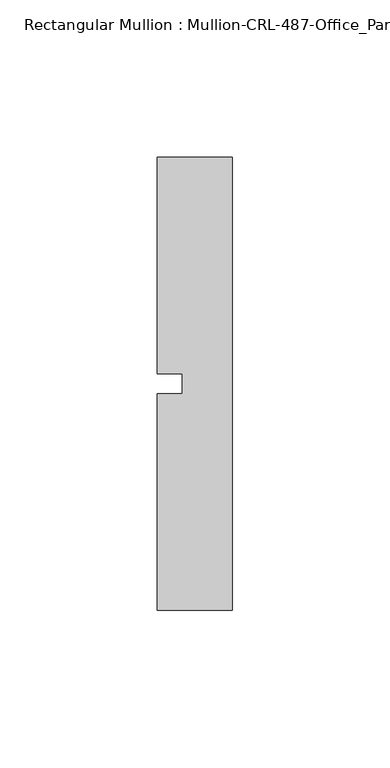
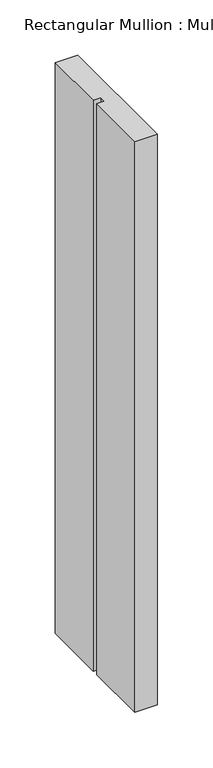
"""IFC4 building model written with IfcOpenShell, lengths in millimetres: member geometry, Rectangular Mullion : Mullion-CRL-487-Office_Partition-Head."""

from ifc_helpers import new_model, si_unit, frame, origin, place, context, project, spatial, polyline, outline, extrude, source, transform, mapped, element, save


def rectangular_mullion_mullion_crl_487_office_partition_head_c9a5290a(model_context):
    return source(origin(), model_context, "Body", "SweptSolid", [
        extrude(outline(polyline([(-23.7998, -71.9452143), (-23.7998, -3.175), (-15.8623, -3.175), (-15.8623, 3.175), (-23.7998, 3.175), (-23.7998, 71.9452142), (0.0, 71.9452142), (0.0, -71.9452143), (-23.7998, -71.9452143)])), frame((0.0, 0.0, -631.8377), z_axis=(0.0, 0.0, 1.0), x_axis=(1.0, 0.0, 0.0)), (0.0, 0.0, 1.0), 631.8377),
    ])


if __name__ == "__main__":
    model = new_model("IFC4")
    model_context = context("Model", 3, world=origin())
    ifc_project = project(units=[si_unit("LENGTHUNIT", "METRE", prefix="MILLI")], contexts=[model_context])
    site = spatial("IfcSite", under=ifc_project)
    building = spatial("IfcBuilding", under=site)
    placement = place(None, origin())
    rectangular_mullion_mullion_crl_487_office_partition_head_shape = rectangular_mullion_mullion_crl_487_office_partition_head_c9a5290a(model_context)
    element("IfcMember", 1, ObjectType="Rectangular Mullion : Mullion-CRL-487-Office_Partition-Head", at=placement, inside=building, context=model_context, shape_type="MappedRepresentation", body=[
        mapped(rectangular_mullion_mullion_crl_487_office_partition_head_shape, transform((0.0, 0.0, 0.0), x_axis=(1.0, 0.0, 0.0), y_axis=(0.0, 1.0, 0.0), z_axis=(0.0, 0.0, 1.0))),
    ])
    save(model, "model.ifc")
